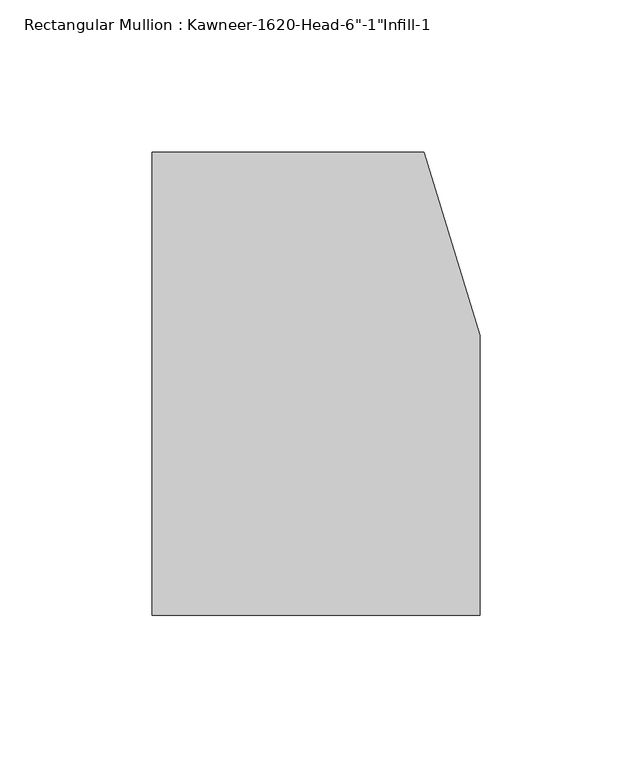
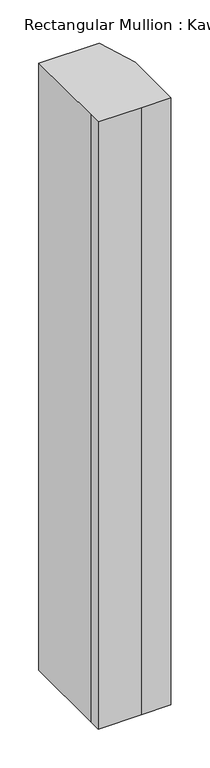
"""IFC4 building model written with IfcOpenShell, lengths in millimetres: member geometry."""

from ifc_helpers import new_model, si_unit, frame, origin, place, context, project, spatial, polyline, outline, extrude, source, transform, mapped, element, save


def member_1f5fed64(model_context):
    return source(origin(), model_context, "Body", "SweptSolid", [
        extrude(outline(polyline([(-107.95, -19.9095466), (-107.95, 114.3), (-18.3538271, 114.3), (0.0, 53.975), (0.0, -38.1), (-44.1519366, -38.1), (-107.95, -38.1), (-107.95, -19.9095466)])), frame((0.0, 0.0, -952.5), z_axis=(0.0, 0.0, 1.0), x_axis=(1.0, 0.0, 0.0)), (0.0, 0.0, 1.0), 952.5),
    ])


if __name__ == "__main__":
    model = new_model("IFC4")
    model_context = context("Model", 3, world=origin())
    ifc_project = project(units=[si_unit("LENGTHUNIT", "METRE", prefix="MILLI")], contexts=[model_context])
    site = spatial("IfcSite", under=ifc_project)
    building = spatial("IfcBuilding", under=site)
    placement = place(None, origin())
    member_shape = member_1f5fed64(model_context)
    element("IfcMember", 1, ObjectType="Rectangular Mullion : Kawneer-1620-Head-6\"-1\"Infill-1", at=placement, inside=building, context=model_context, shape_type="MappedRepresentation", body=[
        mapped(member_shape, transform((0.0, 0.0, 0.0), x_axis=(1.0, 0.0, 0.0), y_axis=(0.0, 1.0, 0.0), z_axis=(0.0, 0.0, 1.0))),
    ])
    save(model, "model.ifc")
